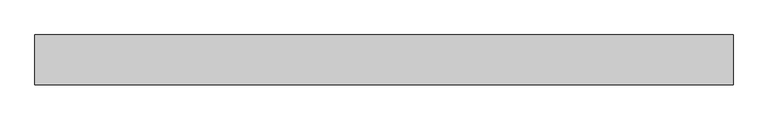
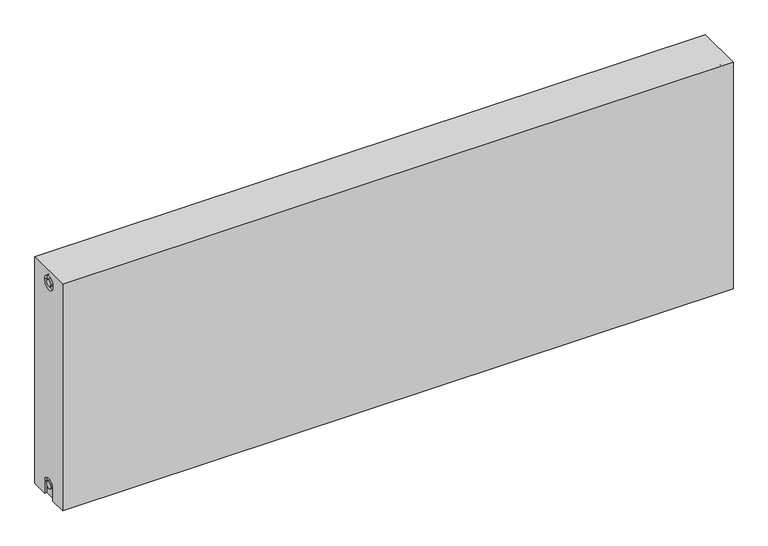
"""IFC4 building model written with IfcOpenShell, lengths in millimetres: proxy geometry."""

from ifc_helpers import new_model, si_unit, frame, origin, place, context, project, spatial, polyline, circle_curve, source, transform, mapped, element, save
from ifc_brep_helpers import plane_surface, cylinder_surface, revolved_surface, advanced_brep


def mechanical_equipment_680dd5ba(model_context):
    return source(origin(), model_context, "Body", "AdvancedBrep", [
        advanced_brep(
        [(1400.0, 50.0, 500.0), (1400.0, 50.0, 0.0), (0.0, 50.0, 0.0), (0.0, 50.0, 500.0), (1400.0, -50.0, 500.0), (0.0, -50.0, 500.0), (0.0, -50.0, 0.0), (1400.0, -50.0, 0.0), (1400.0, -15.0, 0.0), (1400.0, -15.0, 27.0), (1400.0, 15.0, 27.0), (1400.0, 15.0, 0.0), (1400.0, 14.7242393, 473.0), (1400.0, -15.2757607, 473.0), (1400.0, -7.5, 27.0), (1400.0, 7.5, 27.0), (1400.0, 7.2242393, 473.0), (1400.0, -7.7757607, 473.0), (1395.0, 15.0, 0.0), (1395.0, -15.0, 0.0), (0.0, -15.0, 0.0), (5.0, -15.0, 0.0), (5.0, 15.0, 0.0), (0.0, 15.0, 0.0), (0.0, 15.0, 27.0), (0.0, -15.0, 27.0), (0.0, -15.2757607, 473.0), (0.0, 14.7242393, 473.0), (0.0, -7.7757607, 473.0), (0.0, 7.2242393, 473.0), (0.0, 7.5682726, 27.0), (0.0, -7.4317274, 27.0), (5.0, -15.2757607, 473.0), (5.0, 14.7242393, 473.0), (5.0, -7.7757607, 473.0), (5.0, 7.2242393, 473.0), (5.0, -15.0, 27.0), (5.0, 15.0, 27.0), (5.0, -7.4317274, 27.0), (5.0, 7.5682726, 27.0), (1395.0, 15.0, 27.0), (1395.0, -15.0, 27.0), (1395.0, -7.5, 27.0), (1395.0, 7.5, 27.0), (1395.0, -15.2757607, 473.0), (1395.0, 14.7242393, 473.0), (1395.0, -7.7757607, 473.0), (1395.0, 7.2242393, 473.0)],
        [
            (0, 1),
            (1, 2),
            (2, 3),
            (3, 0),
            (4, 5),
            (5, 6),
            (6, 7),
            (7, 4),
            (0, 4),
            (7, 8),
            (8, 9),
            (9, 10, circle_curve(frame((1400.0, 0.0, 27.0), z_axis=(-1.0, 0.0, 0.0), x_axis=(0.0, 1.0, 0.0)), 15.0)),
            (10, 11),
            (11, 1),
            (12, 13, circle_curve(frame((1400.0, -0.2757607, 473.0), z_axis=(-1.0, 0.0, 0.0), x_axis=(0.0, 1.0, 0.0)), 15.0)),
            (13, 12, circle_curve(frame((1400.0, -0.2757607, 473.0), z_axis=(-1.0, 0.0, 0.0), x_axis=(0.0, 1.0, 0.0)), 15.0)),
            (14, 15, circle_curve(frame((1400.0, 0.0, 27.0), z_axis=(1.0, 0.0, 0.0), x_axis=(0.0, 1.0, 0.0)), 7.5)),
            (15, 14, circle_curve(frame((1400.0, 0.0, 27.0), z_axis=(1.0, 0.0, 0.0), x_axis=(0.0, 1.0, 0.0)), 7.5)),
            (16, 17, circle_curve(frame((1400.0, -0.2757607, 473.0), z_axis=(1.0, 0.0, 0.0), x_axis=(0.0, 1.0, 0.0)), 7.5)),
            (17, 16, circle_curve(frame((1400.0, -0.2757607, 473.0), z_axis=(1.0, 0.0, 0.0), x_axis=(0.0, 1.0, 0.0)), 7.5)),
            (11, 18),
            (18, 19),
            (19, 8),
            (6, 20),
            (20, 21),
            (21, 22),
            (22, 23),
            (23, 2),
            (23, 24),
            (24, 25, circle_curve(frame((0.0, 0.0, 27.0), z_axis=(1.0, 0.0, 0.0), x_axis=(0.0, 1.0, 0.0)), 15.0)),
            (25, 20),
            (5, 3),
            (26, 27, circle_curve(frame((0.0, -0.2757607, 473.0), z_axis=(1.0, 0.0, 0.0), x_axis=(0.0, 1.0, 0.0)), 15.0)),
            (27, 26, circle_curve(frame((0.0, -0.2757607, 473.0), z_axis=(1.0, 0.0, 0.0), x_axis=(0.0, 1.0, 0.0)), 15.0)),
            (28, 29, circle_curve(frame((0.0, -0.2757607, 473.0), z_axis=(-1.0, 0.0, 0.0), x_axis=(0.0, 1.0, 0.0)), 7.5)),
            (29, 28, circle_curve(frame((0.0, -0.2757607, 473.0), z_axis=(-1.0, 0.0, 0.0), x_axis=(0.0, 1.0, 0.0)), 7.5)),
            (30, 31, circle_curve(frame((0.0, 0.0682726, 27.0), z_axis=(-1.0, 0.0, 0.0), x_axis=(0.0, 1.0, 0.0)), 7.5)),
            (31, 30, circle_curve(frame((0.0, 0.0682726, 27.0), z_axis=(-1.0, 0.0, 0.0), x_axis=(0.0, 1.0, 0.0)), 7.5)),
            (32, 33, circle_curve(frame((5.0, -0.2757607, 473.0), z_axis=(-1.0, 0.0, 0.0), x_axis=(0.0, 1.0, 0.0)), 15.0)),
            (33, 32, circle_curve(frame((5.0, -0.2757607, 473.0), z_axis=(-1.0, 0.0, 0.0), x_axis=(0.0, 1.0, 0.0)), 15.0)),
            (34, 35, circle_curve(frame((5.0, -0.2757607, 473.0), z_axis=(1.0, 0.0, 0.0), x_axis=(0.0, 1.0, 0.0)), 7.5)),
            (35, 34, circle_curve(frame((5.0, -0.2757607, 473.0), z_axis=(1.0, 0.0, 0.0), x_axis=(0.0, 1.0, 0.0)), 7.5)),
            (33, 27),
            (26, 32),
            (35, 29),
            (28, 34),
            (21, 36),
            (36, 37, circle_curve(frame((5.0, 0.0, 27.0), z_axis=(-1.0, 0.0, 0.0), x_axis=(0.0, 1.0, 0.0)), 15.0)),
            (37, 22),
            (38, 39, circle_curve(frame((5.0, 0.0682726, 27.0), z_axis=(1.0, 0.0, 0.0), x_axis=(0.0, 1.0, 0.0)), 7.5)),
            (39, 38, circle_curve(frame((5.0, 0.0682726, 27.0), z_axis=(1.0, 0.0, 0.0), x_axis=(0.0, 1.0, 0.0)), 7.5)),
            (38, 31),
            (30, 39),
            (37, 24),
            (36, 25),
            (18, 40),
            (40, 41, circle_curve(frame((1395.0, 0.0, 27.0), z_axis=(1.0, 0.0, 0.0), x_axis=(0.0, 1.0, 0.0)), 15.0)),
            (41, 19),
            (42, 43, circle_curve(frame((1395.0, 0.0, 27.0), z_axis=(-1.0, 0.0, 0.0), x_axis=(0.0, 1.0, 0.0)), 7.5)),
            (43, 42, circle_curve(frame((1395.0, 0.0, 27.0), z_axis=(-1.0, 0.0, 0.0), x_axis=(0.0, 1.0, 0.0)), 7.5)),
            (43, 15),
            (14, 42),
            (10, 40),
            (9, 41),
            (44, 45, circle_curve(frame((1395.0, -0.2757607, 473.0), z_axis=(1.0, 0.0, 0.0), x_axis=(0.0, 1.0, 0.0)), 15.0)),
            (45, 44, circle_curve(frame((1395.0, -0.2757607, 473.0), z_axis=(1.0, 0.0, 0.0), x_axis=(0.0, 1.0, 0.0)), 15.0)),
            (46, 47, circle_curve(frame((1395.0, -0.2757607, 473.0), z_axis=(-1.0, 0.0, 0.0), x_axis=(0.0, 1.0, 0.0)), 7.5)),
            (47, 46, circle_curve(frame((1395.0, -0.2757607, 473.0), z_axis=(-1.0, 0.0, 0.0), x_axis=(0.0, 1.0, 0.0)), 7.5)),
            (44, 13),
            (12, 45),
            (46, 17),
            (16, 47),
        ],
        [
            plane_surface(frame((1400.0, 50.0, 500.0), z_axis=(0.0, 1.0, 0.0), x_axis=(0.0, 0.0, -1.0))),
            plane_surface(frame((1400.0, -50.0, 500.0), z_axis=(0.0, -1.0, 0.0), x_axis=(0.0, 0.0, 1.0))),
            plane_surface(frame((1400.0, 50.0, 500.0), z_axis=(1.0, 0.0, 0.0), x_axis=(0.0, -1.0, 0.0))),
            plane_surface(frame((1400.0, 50.0, 0.0), z_axis=(0.0, 0.0, -1.0), x_axis=(0.0, -1.0, 0.0))),
            plane_surface(frame((0.0, 50.0, 0.0), z_axis=(-1.0, 0.0, 0.0), x_axis=(0.0, -1.0, 0.0))),
            plane_surface(frame((0.0, 50.0, 500.0), z_axis=(0.0, 0.0, 1.0), x_axis=(0.0, -1.0, 0.0))),
            plane_surface(frame((5.0, 14.7242393, 473.0), z_axis=(-1.0, 0.0, 0.0), x_axis=(0.0, 0.0, 1.0))),
            revolved_surface(polyline([(5.0, 14.7242393, 473.0), (0.0, 14.7242393, 473.0)]), (0.0, -0.2757607, 473.0), (1.0, 0.0, 0.0)),
            cylinder_surface(frame((0.0, -0.2757607, 473.0), z_axis=(-1.0, 0.0, 0.0), x_axis=(0.0, 1.0, 0.0)), 7.5),
            plane_surface(frame((5.0, 7.5682726, 27.0), z_axis=(-1.0, 0.0, 0.0), x_axis=(0.0, 0.0, -1.0))),
            cylinder_surface(frame((0.0, 0.0682726, 27.0), z_axis=(-1.0, 0.0, 0.0), x_axis=(0.0, 1.0, 0.0)), 7.5),
            plane_surface(frame((5.0, 15.0, 0.0), z_axis=(0.0, -1.0, 0.0), x_axis=(-1.0, 0.0, 0.0))),
            revolved_surface(polyline([(5.0, 15.0, 27.0), (0.0, 15.0, 27.0)]), (0.0, 0.0, 27.0), (1.0, 0.0, 0.0)),
            plane_surface(frame((5.0, -15.0, 27.0), z_axis=(0.0, 1.0, 0.0), x_axis=(-1.0, 0.0, 0.0))),
            plane_surface(frame((1395.0, 7.5, 27.0), z_axis=(1.0, 0.0, 0.0), x_axis=(0.0, 0.0, 1.0))),
            cylinder_surface(frame((1395.0, 0.0, 27.0), z_axis=(-1.0, 0.0, 0.0), x_axis=(0.0, 1.0, 0.0)), 7.5),
            plane_surface(frame((1400.0, 15.0, 0.0), z_axis=(0.0, -1.0, 0.0), x_axis=(-1.0, 0.0, 0.0))),
            revolved_surface(polyline([(1400.0, 15.0, 27.0), (1395.0, 15.0, 27.0)]), (895.0, 0.0, 27.0), (1.0, 0.0, 0.0)),
            plane_surface(frame((1400.0, -15.0, 27.0), z_axis=(0.0, 1.0, 0.0), x_axis=(-1.0, 0.0, 0.0))),
            plane_surface(frame((1395.0, 14.7242393, 473.0), z_axis=(1.0, 0.0, 0.0), x_axis=(0.0, 0.0, -1.0))),
            revolved_surface(polyline([(1400.0, 14.7242393, 473.0), (1395.0, 14.7242393, 473.0)]), (1395.0, -0.2757607, 473.0), (1.0, 0.0, 0.0)),
            cylinder_surface(frame((895.0, -0.2757607, 473.0), z_axis=(-1.0, 0.0, 0.0), x_axis=(0.0, 1.0, 0.0)), 7.5),
        ],
        [
            (0, [[1, 2, 3, 4]]),
            (1, [[5, 6, 7, 8]]),
            (2, [[-1, 9, -8, 10, 11, 12, 13, 14], [15, 16]]),
            (2, [[17, 18]]),
            (2, [[19, 20]]),
            (3, [[-2, -14, 21, 22, 23, -10, -7, 24, 25, 26, 27, 28]]),
            (4, [[-3, -28, 29, 30, 31, -24, -6, 32], [33, 34]]),
            (4, [[35, 36]]),
            (4, [[37, 38]]),
            (5, [[-4, -32, -5, -9]]),
            (6, [[39, 40], [41, 42]]),
            (7, [[-40, 43, -33, 44]]),
            (7, [[-39, -44, -34, -43]]),
            (8, [[-42, 45, -35, 46]]),
            (8, [[-41, -46, -36, -45]]),
            (9, [[47, 48, 49, -26], [50, 51]]),
            (10, [[-50, 52, -37, 53]]),
            (10, [[-51, -53, -38, -52]]),
            (11, [[-49, 54, -29, -27]]),
            (12, [[-48, 55, -30, -54]]),
            (13, [[-47, -25, -31, -55]]),
            (14, [[56, 57, 58, -22], [59, 60]]),
            (15, [[-60, 61, -17, 62]]),
            (15, [[-59, -62, -18, -61]]),
            (16, [[-56, -21, -13, 63]]),
            (17, [[-57, -63, -12, 64]]),
            (18, [[-58, -64, -11, -23]]),
            (19, [[65, 66], [67, 68]]),
            (20, [[-65, 69, -15, 70]]),
            (20, [[-66, -70, -16, -69]]),
            (21, [[-67, 71, -19, 72]]),
            (21, [[-68, -72, -20, -71]]),
        ],
    ),
    ])


if __name__ == "__main__":
    model = new_model("IFC4")
    model_context = context("Model", 3, world=origin())
    ifc_project = project(units=[si_unit("LENGTHUNIT", "METRE", prefix="MILLI")], contexts=[model_context])
    site = spatial("IfcSite", under=ifc_project)
    building = spatial("IfcBuilding", under=site)
    placement = place(None, origin())
    mechanical_equipment_shape = mechanical_equipment_680dd5ba(model_context)
    element("IfcBuildingElementProxy", 1, Name="Mechanical Equipment", at=placement, inside=building, context=model_context, shape_type="MappedRepresentation", body=[
        mapped(mechanical_equipment_shape, transform((0.0, 0.0, 0.0), x_axis=(1.0, 0.0, 0.0), y_axis=(0.0, 1.0, 0.0), z_axis=(0.0, 0.0, 1.0))),
    ])
    save(model, "model.ifc")
